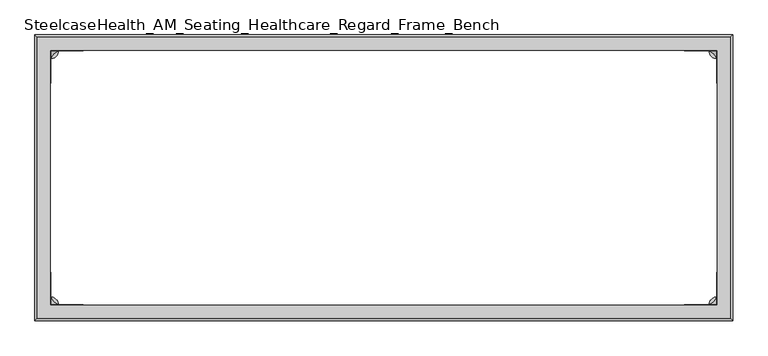
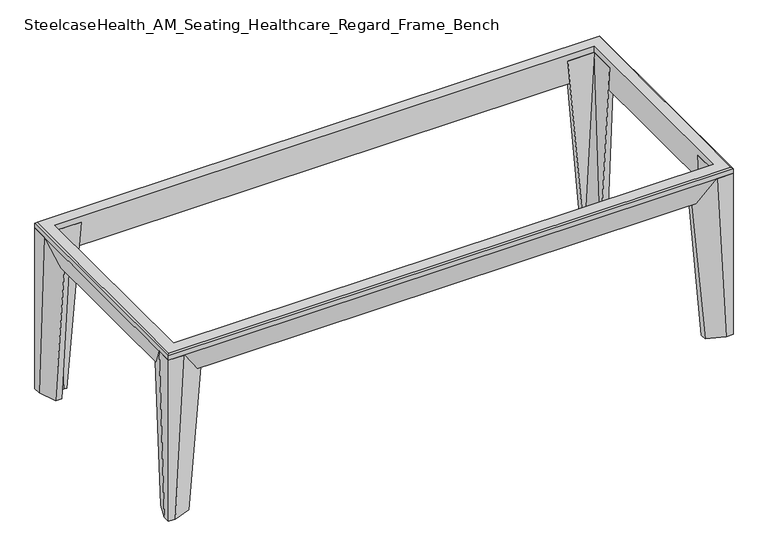
"""IFC4 building model written with IfcOpenShell, lengths in millimetres: furniture geometry, SteelcaseHealth_AM_Seating_Healthcare_Regard_Frame_Bench."""

from ifc_helpers import new_model, si_unit, point, frame, frame_2d, origin, origin_with_axes, place, context, project, spatial, circle_curve, trimmed, segment, composite_curve, outline, extrude, faceted_brep, source, transform, mapped, element, save
from ifc_brep_helpers import plane_surface, spline_surface, advanced_brep


def steelcasehealth_am_seating_healthcare_regard_frame_bench_3d22d040(model_context):
    return source(origin(), model_context, "Body", "SolidModel", [
        extrude(outline(composite_curve([segment(trimmed(circle_curve(frame_2d((25.146, -17.8447284)), 12.7), [point((12.446, -17.8447284))], [point((37.846, -17.8447284))], False, "CARTESIAN"), True, "CONTINUOUS"), segment(trimmed(circle_curve(frame_2d((25.146, -17.8447284)), 12.7), [point((37.846, -17.8447284))], [point((12.446, -17.8447284))], False, "CARTESIAN"), True, "CONTINUOUS")], self_intersect=False)), origin_with_axes(), (0.0, 0.0, 1.0), 0.94234),
        extrude(outline(composite_curve([segment(trimmed(circle_curve(frame_2d((1092.454, -17.8447284)), 12.7), [point((1079.754, -17.8447284))], [point((1105.154, -17.8447284))], False, "CARTESIAN"), True, "CONTINUOUS"), segment(trimmed(circle_curve(frame_2d((1092.454, -17.8447284)), 12.7), [point((1105.154, -17.8447284))], [point((1079.754, -17.8447284))], False, "CARTESIAN"), True, "CONTINUOUS")], self_intersect=False)), origin_with_axes(), (0.0, 0.0, 1.0), 0.94234),
        extrude(outline(composite_curve([segment(trimmed(circle_curve(frame_2d((1092.454, -424.8795859)), 12.7), [point((1079.754, -424.8795859))], [point((1105.154, -424.8795859))], False, "CARTESIAN"), True, "CONTINUOUS"), segment(trimmed(circle_curve(frame_2d((1092.454, -424.8795859)), 12.7), [point((1105.154, -424.8795859))], [point((1079.754, -424.8795859))], False, "CARTESIAN"), True, "CONTINUOUS")], self_intersect=False)), origin_with_axes(), (0.0, 0.0, 1.0), 0.94234),
        extrude(outline(composite_curve([segment(trimmed(circle_curve(frame_2d((25.146, -424.8795859)), 12.7), [point((12.446, -424.8795859))], [point((37.846, -424.8795859))], False, "CARTESIAN"), True, "CONTINUOUS"), segment(trimmed(circle_curve(frame_2d((25.146, -424.8795859)), 12.7), [point((37.846, -424.8795859))], [point((12.446, -424.8795859))], False, "CARTESIAN"), True, "CONTINUOUS")], self_intersect=False)), origin_with_axes(), (0.0, 0.0, 1.0), 0.94234),
        advanced_brep(
        [(25.146, -406.644766, 0.94234), (43.38082, -424.8795859, 0.94234), (48.1806293, -424.8795859, 0.94234), (48.1806293, -437.3257797, 0.94234), (13.2881985, -450.0255859, 0.94234), (0.0, -450.0255859, 0.94234), (0.0, -436.103936, 0.94234), (12.7, -401.2109727, 0.94234), (25.146, -401.2109727, 0.94234), (25.146, -424.8795859, 337.7382937), (25.146, -372.555926, 337.7382937), (16.6407891, -372.555926, 337.7382937), (0.0, -418.2761184, 337.7382937), (0.0, -450.0255859, 337.7382937), (31.7501938, -450.0255859, 337.7382937), (77.4706276, -433.3847089, 337.7382937), (77.4706276, -424.8795859, 337.7382937)],
        [
            (0, 1, circle_curve(frame((43.38082, -406.644766, 0.94234), z_axis=(0.0, 0.0, 1.0), x_axis=(-1.0, 0.0, 0.0)), 18.23482)),
            (1, 2),
            (2, 3),
            (3, 4),
            (4, 5),
            (5, 6),
            (6, 7),
            (7, 8),
            (8, 0),
            (9, 10),
            (10, 11),
            (11, 12),
            (12, 13),
            (13, 14),
            (14, 15),
            (15, 16),
            (16, 9),
            (15, 3),
            (2, 16),
            (14, 4),
            (13, 5),
            (12, 6),
            (11, 7),
            (10, 8),
            (1, 9),
            (9, 0),
        ],
        [
            plane_surface(frame((24.0024752, -425.8118634, 0.94234), z_axis=(0.0, 0.0, -1.0), x_axis=(0.0, 1.0, 0.0))),
            plane_surface(frame((31.7030298, -418.3228779, 337.7382937), z_axis=(0.0, 0.0, 1.0), x_axis=(0.0, 1.0, 0.0))),
            plane_surface(frame((77.4706276, -429.1321474, 337.7382937), z_axis=(0.9962397218031404, 0.0, -0.08663957930184962), x_axis=(0.0, -1.0, 0.0))),
            plane_surface(frame((54.6104107, -441.7051474, 337.7382937), z_axis=(0.3419600489085858, -0.9395275127318639, -0.018745073227786794), x_axis=(-0.9396926207858998, -0.34202014332569247, 0.0))),
            plane_surface(frame((15.8750969, -450.0255859, 337.7382937), z_axis=(0.0, -1.0, 0.0), x_axis=(-1.0, 0.0, 0.0))),
            plane_surface(frame((0.0, -434.1508521, 337.7382937), z_axis=(-1.0, 0.0, 0.0), x_axis=(0.0, 1.0, 0.0))),
            plane_surface(frame((8.3203946, -395.4160222, 337.7382937), z_axis=(-0.9395386582415284, 0.3419641055424116, -0.018101386418922796), x_axis=(0.3420201433257474, 0.9396926207858798, 0.0))),
            plane_surface(frame((20.8933946, -372.555926, 337.7382937), z_axis=(0.0, 0.9964001163577788, -0.08477504421824285), x_axis=(1.0, 0.0, 0.0))),
            plane_surface(frame((51.3083138, -424.8795859, 337.7382937), z_axis=(0.0, 1.0, 0.0), x_axis=(1.0, 0.0, 0.0))),
            plane_surface(frame((25.146, -398.717756, 337.7382937), z_axis=(1.0, 0.0, 0.0), x_axis=(0.0, -1.0, 0.0))),
            spline_surface(2, 1, [[(25.146, -424.8795859, 337.7382937), (25.146, -406.644766, 0.94234)], [(25.146, -424.8795859, 337.7382937), (25.145999899999993, -424.879586, 0.94234)], [(25.146, -424.8795859, 337.7382937), (43.38082, -424.8795859, 0.94234)]], [3, 3], [2, 2], [0.0, 1.0], [0.0, 1.0], weights=[[1.0, 1.0], [0.7071067792476559, 0.7071067792476559], [1.0, 1.0]]),
        ],
        [
            (0, [[1, 2, 3, 4, 5, 6, 7, 8, 9]]),
            (1, [[10, 11, 12, 13, 14, 15, 16, 17]]),
            (2, [[-16, 18, -3, 19]]),
            (3, [[-15, 20, -4, -18]]),
            (4, [[-14, 21, -5, -20]]),
            (5, [[-13, 22, -6, -21]]),
            (6, [[-12, 23, -7, -22]]),
            (7, [[-11, 24, -8, -23]]),
            (8, [[-17, -19, -2, 25]]),
            (9, [[-10, 26, -9, -24]]),
            (10, [[-1, -26, -25]]),
        ],
    ),
        advanced_brep(
        [(25.146, -406.644766, 0.94234), (43.38082, -424.8795859, 0.94234), (48.1806293, -424.8795859, 0.94234), (48.1806293, -437.3257797, 0.94234), (13.2881985, -450.0255859, 0.94234), (0.0, -450.0255859, 0.94234), (0.0, -436.103936, 0.94234), (12.7, -401.2109727, 0.94234), (25.146, -401.2109727, 0.94234), (25.146, -424.8795859, 337.7382937), (25.146, -372.555926, 337.7382937), (16.6407891, -372.555926, 337.7382937), (0.0, -418.2761184, 337.7382937), (0.0, -450.0255859, 337.7382937), (31.7501938, -450.0255859, 337.7382937), (77.4706276, -433.3847089, 337.7382937), (77.4706276, -424.8795859, 337.7382937)],
        [
            (0, 1, circle_curve(frame((43.38082, -406.644766, 0.94234), z_axis=(0.0, 0.0, 1.0), x_axis=(-1.0, 0.0, 0.0)), 18.23482)),
            (1, 2),
            (2, 3),
            (3, 4),
            (4, 5),
            (5, 6),
            (6, 7),
            (7, 8),
            (8, 0),
            (9, 10),
            (10, 11),
            (11, 12),
            (12, 13),
            (13, 14),
            (14, 15),
            (15, 16),
            (16, 9),
            (15, 3),
            (2, 16),
            (14, 4),
            (13, 5),
            (12, 6),
            (11, 7),
            (10, 8),
            (1, 9),
            (9, 0),
        ],
        [
            plane_surface(frame((24.0024752, -425.8118634, 0.94234), z_axis=(0.0, 0.0, -1.0), x_axis=(0.0, 1.0, 0.0))),
            plane_surface(frame((31.7030298, -418.3228779, 337.7382937), z_axis=(0.0, 0.0, 1.0), x_axis=(0.0, 1.0, 0.0))),
            plane_surface(frame((77.4706276, -429.1321474, 337.7382937), z_axis=(0.9962397218031402, 0.0, -0.08663957930185077), x_axis=(0.0, -1.0, 0.0))),
            plane_surface(frame((54.6104107, -441.7051474, 337.7382937), z_axis=(0.3419600489086735, -0.939527512731832, -0.018745073227790482), x_axis=(-0.9396926207858679, -0.3420201433257802, 0.0))),
            plane_surface(frame((15.8750969, -450.0255859, 337.7382937), z_axis=(0.0, -1.0, 0.0), x_axis=(-1.0, 0.0, 0.0))),
            plane_surface(frame((0.0, -434.1508521, 337.7382937), z_axis=(-1.0, 0.0, 0.0), x_axis=(0.0, 1.0, 0.0))),
            plane_surface(frame((8.3203946, -395.4160222, 337.7382937), z_axis=(-0.9395386582415771, 0.34196410554227846, -0.018101386418905345), x_axis=(0.34202014332561415, 0.9396926207859283, 0.0))),
            plane_surface(frame((20.8933946, -372.555926, 337.7382937), z_axis=(0.0, 0.996400116357782, -0.08477504421820514), x_axis=(1.0, 0.0, 0.0))),
            plane_surface(frame((51.3083138, -424.8795859, 337.7382937), z_axis=(0.0, 1.0, 0.0), x_axis=(1.0, 0.0, 0.0))),
            plane_surface(frame((25.146, -398.717756, 337.7382937), z_axis=(1.0, 0.0, 0.0), x_axis=(0.0, -1.0, 0.0))),
            spline_surface(2, 1, [[(25.146, -424.8795859, 337.7382937), (25.146, -406.644766, 0.94234)], [(25.146, -424.8795859, 337.7382937), (25.145999899999993, -424.879586, 0.94234)], [(25.146, -424.8795859, 337.7382937), (43.38082, -424.8795859, 0.94234)]], [3, 3], [2, 2], [0.0, 1.0], [0.0, 1.0], weights=[[1.0, 1.0], [0.7071067792476559, 0.7071067792476559], [1.0, 1.0]]),
        ],
        [
            (0, [[1, 2, 3, 4, 5, 6, 7, 8, 9]]),
            (1, [[10, 11, 12, 13, 14, 15, 16, 17]]),
            (2, [[-16, 18, -3, 19]]),
            (3, [[-15, 20, -4, -18]]),
            (4, [[-14, 21, -5, -20]]),
            (5, [[-13, 22, -6, -21]]),
            (6, [[-12, 23, -7, -22]]),
            (7, [[-11, 24, -8, -23]]),
            (8, [[-17, -19, -2, 25]]),
            (9, [[-10, 26, -9, -24]]),
            (10, [[-1, -26, -25]]),
        ],
    ),
        advanced_brep(
        [(43.38082, -17.8447284, 0.94234), (25.146, -36.0795483, 0.94234), (25.146, -41.6401991, 0.94234), (12.7, -41.6401991, 0.94234), (0.0, -6.7472359, 0.94234), (0.0, 7.1744141, 0.94234), (13.2881985, 7.1744141, 0.94234), (48.1806293, -5.5253921, 0.94234), (48.1806293, -17.8447284, 0.94234), (25.146, -17.8447284, 337.7382937), (77.4706276, -17.8447284, 337.7382937), (77.4706276, -9.4664629, 337.7382937), (31.7501938, 7.1744141, 337.7382937), (0.0, 7.1744141, 337.7382937), (0.0, -24.5750535, 337.7382937), (16.6407891, -70.2952458, 337.7382937), (25.146, -70.2952458, 337.7382937)],
        [
            (0, 1, circle_curve(frame((43.38082, -36.0795483, 0.94234), z_axis=(0.0, 0.0, 1.0), x_axis=(-1.0, 0.0, 0.0)), 18.23482)),
            (1, 2),
            (2, 3),
            (3, 4),
            (4, 5),
            (5, 6),
            (6, 7),
            (7, 8),
            (8, 0),
            (9, 10),
            (10, 11),
            (11, 12),
            (12, 13),
            (13, 14),
            (14, 15),
            (15, 16),
            (16, 9),
            (10, 8),
            (7, 11),
            (6, 12),
            (5, 13),
            (4, 14),
            (3, 15),
            (2, 16),
            (9, 0),
            (1, 9),
        ],
        [
            plane_surface(frame((24.0024752, -16.9970226, 0.94234), z_axis=(0.0, 0.0, -1.0), x_axis=(-0.9396926207858761, 0.3420201433257575, 0.0))),
            plane_surface(frame((31.7030298, -24.4965796, 337.7382937), z_axis=(0.0, 0.0, 1.0), x_axis=(-0.9396926207858761, 0.3420201433257575, 0.0))),
            plane_surface(frame((77.4706276, -13.6555956, 337.7382937), z_axis=(0.9962397218031404, 0.0, -0.0866395793018502), x_axis=(0.0, -1.0, 0.0))),
            plane_surface(frame((54.6104107, -1.1460244, 337.7382937), z_axis=(0.3419600489086507, 0.9395275127318401, -0.018745073227789916), x_axis=(0.9396926207858761, -0.3420201433257575, 0.0))),
            plane_surface(frame((15.8750969, 7.1744141, 337.7382937), z_axis=(0.0, 1.0, 0.0), x_axis=(1.0, 0.0, 0.0))),
            plane_surface(frame((0.0, -8.7003197, 337.7382937), z_axis=(-1.0, 0.0, 0.0), x_axis=(0.0, 1.0, 0.0))),
            plane_surface(frame((8.3203946, -47.4351497, 337.7382937), z_axis=(-0.9395386582415707, -0.34196410554229617, -0.0181013864189062), x_axis=(-0.34202014332563185, 0.9396926207859219, 0.0))),
            plane_surface(frame((20.8933946, -70.2952458, 337.7382937), z_axis=(0.0, -0.9964001163577818, -0.0847750442182073), x_axis=(-1.0, 0.0, 0.0))),
            plane_surface(frame((51.3083138, -17.8447284, 337.7382937), z_axis=(0.0, -1.0, 0.0), x_axis=(-1.0, 0.0, 0.0))),
            plane_surface(frame((25.146, -44.0699871, 337.7382937), z_axis=(1.0, 0.0, 0.0), x_axis=(0.0, -1.0, 0.0))),
            spline_surface(2, 1, [[(25.146, -17.8447284, 337.7382937), (43.38082, -17.8447284, 0.94234)], [(25.146, -17.8447284, 337.7382937), (25.146000100000002, -17.8447285, 0.94234)], [(25.146, -17.8447284, 337.7382937), (25.146, -36.0795483, 0.94234)]], [3, 3], [2, 2], [0.0, 1.0], [0.0, 1.0], weights=[[1.0, 1.0], [0.7071067831254391, 0.7071067831254391], [1.0, 1.0]]),
        ],
        [
            (0, [[1, 2, 3, 4, 5, 6, 7, 8, 9]]),
            (1, [[10, 11, 12, 13, 14, 15, 16, 17]]),
            (2, [[-11, 18, -8, 19]]),
            (3, [[-12, -19, -7, 20]]),
            (4, [[-13, -20, -6, 21]]),
            (5, [[-14, -21, -5, 22]]),
            (6, [[-15, -22, -4, 23]]),
            (7, [[-16, -23, -3, 24]]),
            (8, [[-10, 25, -9, -18]]),
            (9, [[-17, -24, -2, 26]]),
            (10, [[-1, -25, -26]]),
        ],
    ),
        advanced_brep(
        [(1074.21918, -424.8795859, 0.94234), (1092.454, -406.644766, 0.94234), (1092.454, -401.2109727, 0.94234), (1104.9, -401.2109727, 0.94234), (1117.6, -436.103936, 0.94234), (1117.6, -450.0255859, 0.94234), (1104.3118015, -450.0255859, 0.94234), (1069.4193707, -437.3257797, 0.94234), (1069.4193707, -424.8795859, 0.94234), (1092.454, -424.8795859, 337.7382937), (1040.1293724, -424.8795859, 337.7382937), (1040.1293724, -433.3847089, 337.7382937), (1085.8498062, -450.0255859, 337.7382937), (1117.6, -450.0255859, 337.7382937), (1117.6, -418.2761184, 337.7382937), (1100.9592109, -372.555926, 337.7382937), (1092.454, -372.555926, 337.7382937)],
        [
            (0, 1, circle_curve(frame((1074.21918, -406.644766, 0.94234), z_axis=(0.0, 0.0, 1.0), x_axis=(1.0, 0.0, 0.0)), 18.23482)),
            (1, 2),
            (2, 3),
            (3, 4),
            (4, 5),
            (5, 6),
            (6, 7),
            (7, 8),
            (8, 0),
            (9, 10),
            (10, 11),
            (11, 12),
            (12, 13),
            (13, 14),
            (14, 15),
            (15, 16),
            (16, 9),
            (10, 8),
            (7, 11),
            (6, 12),
            (5, 13),
            (4, 14),
            (3, 15),
            (2, 16),
            (9, 0),
            (1, 9),
        ],
        [
            plane_surface(frame((1093.5975248, -425.8118634, 0.94234), z_axis=(0.0, 0.0, -1.0), x_axis=(0.9396926207859315, -0.3420201433256053, 0.0))),
            plane_surface(frame((1085.8969702, -418.3228779, 337.7382937), z_axis=(0.0, 0.0, 1.0), x_axis=(0.9396926207859315, -0.3420201433256053, 0.0))),
            plane_surface(frame((1040.1293724, -429.1321474, 337.7382937), z_axis=(-0.9962397218031405, 0.0, -0.08663957930184789), x_axis=(0.0, 1.0, 0.0))),
            plane_surface(frame((1062.9895893, -441.7051474, 337.7382937), z_axis=(-0.34196004890849785, -0.9395275127318934, -0.018745073227911992), x_axis=(-0.9396926207859315, 0.3420201433256053, 0.0))),
            plane_surface(frame((1101.7249031, -450.0255859, 337.7382937), z_axis=(0.0, -1.0, 0.0), x_axis=(-1.0, 0.0, 0.0))),
            plane_surface(frame((1117.6, -434.1508521, 337.7382937), z_axis=(1.0, 0.0, 0.0), x_axis=(0.0, -1.0, 0.0))),
            plane_surface(frame((1109.2796054, -395.4160222, 337.7382937), z_axis=(0.9395386582421951, 0.34196410554059936, -0.0181013864185576), x_axis=(0.3420201433239326, -0.9396926207865404, 0.0))),
            plane_surface(frame((1096.7066054, -372.555926, 337.7382937), z_axis=(0.0, 0.9964001163578304, -0.0847750442176356), x_axis=(1.0, 0.0, 0.0))),
            plane_surface(frame((1066.2916862, -424.8795859, 337.7382937), z_axis=(0.0, 1.0, 0.0), x_axis=(1.0, 0.0, 0.0))),
            plane_surface(frame((1092.454, -398.717756, 337.7382937), z_axis=(-1.0, 0.0, 0.0), x_axis=(0.0, 1.0, 0.0))),
            spline_surface(2, 1, [[(1092.454, -424.8795859, 337.7382937), (1074.21918, -424.8795859, 0.94234)], [(1092.454, -424.8795859, 337.7382937), (1092.4539999, -424.8795858000001, 0.94234)], [(1092.454, -424.8795859, 337.7382937), (1092.454, -406.644766, 0.94234)]], [3, 3], [2, 2], [0.0, 1.0], [0.0, 1.0], weights=[[1.0, 1.0], [0.7071067831254374, 0.7071067831254374], [1.0, 1.0]]),
        ],
        [
            (0, [[1, 2, 3, 4, 5, 6, 7, 8, 9]]),
            (1, [[10, 11, 12, 13, 14, 15, 16, 17]]),
            (2, [[-11, 18, -8, 19]]),
            (3, [[-12, -19, -7, 20]]),
            (4, [[-13, -20, -6, 21]]),
            (5, [[-14, -21, -5, 22]]),
            (6, [[-15, -22, -4, 23]]),
            (7, [[-16, -23, -3, 24]]),
            (8, [[-10, 25, -9, -18]]),
            (9, [[-17, -24, -2, 26]]),
            (10, [[-1, -25, -26]]),
        ],
    ),
        advanced_brep(
        [(1092.454, -36.0795483, 0.94234), (1074.21918, -17.8447284, 0.94234), (1069.4193707, -17.8447284, 0.94234), (1069.4193707, -5.5253921, 0.94234), (1104.3118015, 7.1744141, 0.94234), (1117.6, 7.1744141, 0.94234), (1117.6, -6.7472359, 0.94234), (1104.9, -41.6401991, 0.94234), (1092.454, -41.6401991, 0.94234), (1092.454, -17.8447284, 337.7382937), (1092.454, -70.2952458, 337.7382937), (1100.9592109, -70.2952458, 337.7382937), (1117.6, -24.5750535, 337.7382937), (1117.6, 7.1744141, 337.7382937), (1085.8498062, 7.1744141, 337.7382937), (1040.1293724, -9.4664629, 337.7382937), (1040.1293724, -17.8447284, 337.7382937)],
        [
            (0, 1, circle_curve(frame((1074.21918, -36.0795483, 0.94234), z_axis=(0.0, 0.0, 1.0), x_axis=(1.0, 0.0, 0.0)), 18.23482)),
            (1, 2),
            (2, 3),
            (3, 4),
            (4, 5),
            (5, 6),
            (6, 7),
            (7, 8),
            (8, 0),
            (9, 10),
            (10, 11),
            (11, 12),
            (12, 13),
            (13, 14),
            (14, 15),
            (15, 16),
            (16, 9),
            (15, 3),
            (2, 16),
            (14, 4),
            (13, 5),
            (12, 6),
            (11, 7),
            (10, 8),
            (1, 9),
            (9, 0),
        ],
        [
            plane_surface(frame((1093.5975248, -16.9970226, 0.94234), z_axis=(0.0, 0.0, -1.0), x_axis=(0.0, -1.0, 0.0))),
            plane_surface(frame((1085.8969702, -24.4965796, 337.7382937), z_axis=(0.0, 0.0, 1.0), x_axis=(0.0, -1.0, 0.0))),
            plane_surface(frame((1040.1293724, -13.6555956, 337.7382937), z_axis=(-0.9962397218031401, 0.0, -0.08663957930185179), x_axis=(0.0, 1.0, 0.0))),
            plane_surface(frame((1062.9895893, -1.1460244, 337.7382937), z_axis=(-0.3419600489086555, 0.9395275127318384, -0.018745073227790673), x_axis=(0.9396926207858745, 0.34202014332576225, 0.0))),
            plane_surface(frame((1101.7249031, 7.1744141, 337.7382937), z_axis=(0.0, 1.0, 0.0), x_axis=(1.0, 0.0, 0.0))),
            plane_surface(frame((1117.6, -8.7003197, 337.7382937), z_axis=(1.0, 0.0, 0.0), x_axis=(0.0, -1.0, 0.0))),
            plane_surface(frame((1109.2796054, -47.4351497, 337.7382937), z_axis=(0.9395386582415596, -0.3419641055423259, -0.01810138641891348), x_axis=(-0.3420201433256617, -0.939692620785911, 0.0))),
            plane_surface(frame((1096.7066054, -70.2952458, 337.7382937), z_axis=(0.0, -0.9964001163577811, -0.08477504421821525), x_axis=(-1.0, 0.0, 0.0))),
            plane_surface(frame((1066.2916862, -17.8447284, 337.7382937), z_axis=(0.0, -1.0, 0.0), x_axis=(-1.0, 0.0, 0.0))),
            plane_surface(frame((1092.454, -44.0699871, 337.7382937), z_axis=(-1.0, 0.0, 0.0), x_axis=(0.0, 1.0, 0.0))),
            spline_surface(2, 1, [[(1092.454, -17.8447284, 337.7382937), (1092.454, -36.0795483, 0.94234)], [(1092.454, -17.8447284, 337.7382937), (1092.4540000999998, -17.8447283000001, 0.94234)], [(1092.454, -17.8447284, 337.7382937), (1074.21918, -17.8447284, 0.94234)]], [3, 3], [2, 2], [0.0, 1.0], [0.0, 1.0], weights=[[1.0, 1.0], [0.7071067792476577, 0.7071067792476577], [1.0, 1.0]]),
        ],
        [
            (0, [[1, 2, 3, 4, 5, 6, 7, 8, 9]]),
            (1, [[10, 11, 12, 13, 14, 15, 16, 17]]),
            (2, [[-16, 18, -3, 19]]),
            (3, [[-15, 20, -4, -18]]),
            (4, [[-14, 21, -5, -20]]),
            (5, [[-13, 22, -6, -21]]),
            (6, [[-12, 23, -7, -22]]),
            (7, [[-11, 24, -8, -23]]),
            (8, [[-17, -19, -2, 25]]),
            (9, [[-10, 26, -9, -24]]),
            (10, [[-1, -26, -25]]),
        ],
    ),
        faceted_brep([(0.0, -450.0255859, 347.1066748), (0.0, -450.0255859, 337.7382937), (1117.6, -450.0255859, 337.7382937), (1117.6, -450.0255859, 347.1066748), (3.0856652, -446.9399207, 350.19234), (1114.5143348, -446.9399207, 350.19234), (25.146, -424.8795859, 289.8673359), (25.146, -424.8795859, 350.19234), (1092.454, -424.8795859, 350.19234), (1092.454, -424.8795859, 289.8673359), (12.8269845, -437.1986014, 289.8673359), (1104.7730155, -437.1986014, 289.8673359), (1117.6, 7.3012716, 337.7382937), (1117.6, 7.3012716, 347.1066748), (1114.5143348, 4.2156064, 350.19234), (1092.454, -17.8447284, 350.19234), (1092.454, -17.8447284, 289.8673359), (1104.7730155, -5.5257129, 289.8673359), (0.0, 7.3012716, 337.7382937), (0.0, 7.3012716, 347.1066748), (3.0856652, 4.2156064, 350.19234), (25.146, -17.8447284, 350.19234), (25.146, -17.8447284, 289.8673359), (12.8269845, -5.5257129, 289.8673359)], [[[0, 1, 2, 3]], [[4, 0, 3, 5]], [[6, 7, 8, 9]], [[1, 10, 11, 2]], [[3, 2, 12, 13]], [[5, 3, 13, 14]], [[9, 8, 15, 16]], [[2, 11, 17, 12]], [[13, 12, 18, 19]], [[14, 13, 19, 20]], [[16, 15, 21, 22]], [[12, 17, 23, 18]], [[19, 18, 1, 0]], [[20, 19, 0, 4]], [[5, 14, 20, 4], [7, 21, 15, 8]], [[22, 21, 7, 6]], [[10, 23, 17, 11], [9, 16, 22, 6]], [[18, 23, 10, 1]]]),
    ])


if __name__ == "__main__":
    model = new_model("IFC4")
    model_context = context("Model", 3, world=origin())
    ifc_project = project(units=[si_unit("LENGTHUNIT", "METRE", prefix="MILLI")], contexts=[model_context])
    site = spatial("IfcSite", under=ifc_project)
    building = spatial("IfcBuilding", under=site)
    placement = place(None, origin())
    steelcasehealth_am_seating_healthcare_regard_frame_bench_shape = steelcasehealth_am_seating_healthcare_regard_frame_bench_3d22d040(model_context)
    element("IfcFurniture", 1, ObjectType="SteelcaseHealth_AM_Seating_Healthcare_Regard_Frame_Bench", at=placement, inside=building, context=model_context, shape_type="MappedRepresentation", body=[
        mapped(steelcasehealth_am_seating_healthcare_regard_frame_bench_shape, transform((0.0, 0.0, 0.0), x_axis=(1.0, 0.0, 0.0), y_axis=(0.0, 1.0, 0.0), z_axis=(0.0, 0.0, 1.0))),
    ])
    save(model, "model.ifc")
